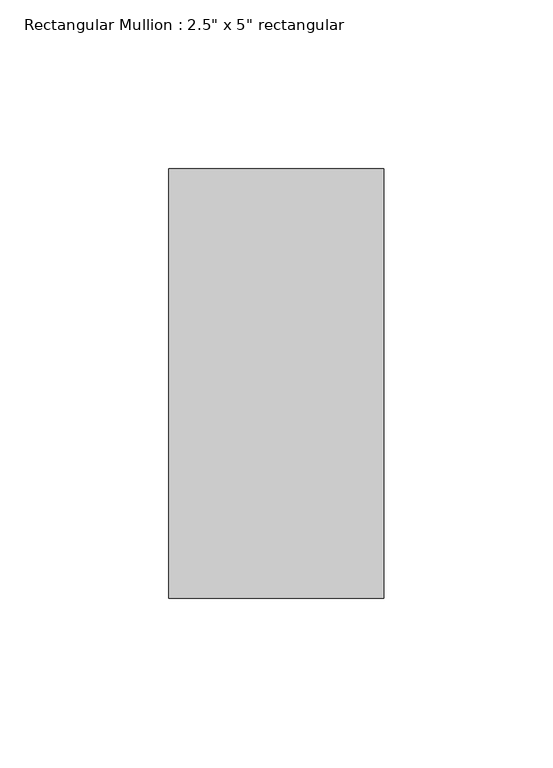
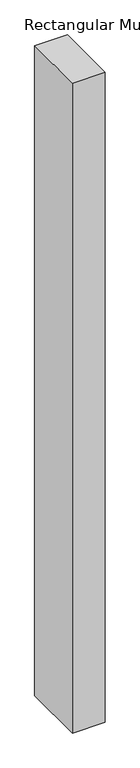
"""IFC4 building model written with IfcOpenShell, lengths in millimetres: member geometry."""

from ifc_helpers import new_model, si_unit, frame, origin, place, context, project, spatial, polyline, outline, extrude, source, transform, mapped, element, save


def member_7cde2320(model_context):
    return source(origin(), model_context, "Body", "SweptSolid", [
        extrude(outline(polyline([(31.75, 63.5), (31.75, -63.5), (-31.75, -63.5), (-31.75, 63.5), (31.75, 63.5)])), frame((0.0, 0.0, -1338.35), z_axis=(0.0, 0.0, 1.0), x_axis=(1.0, 0.0, 0.0)), (0.0, 0.0, 1.0), 1338.35),
    ])


if __name__ == "__main__":
    model = new_model("IFC4")
    model_context = context("Model", 3, world=origin())
    ifc_project = project(units=[si_unit("LENGTHUNIT", "METRE", prefix="MILLI")], contexts=[model_context])
    site = spatial("IfcSite", under=ifc_project)
    building = spatial("IfcBuilding", under=site)
    placement = place(None, origin())
    member_shape = member_7cde2320(model_context)
    element("IfcMember", 1, ObjectType="Rectangular Mullion : 2.5\" x 5\" rectangular", at=placement, inside=building, context=model_context, shape_type="MappedRepresentation", body=[
        mapped(member_shape, transform((0.0, 0.0, 0.0), x_axis=(1.0, 0.0, 0.0), y_axis=(0.0, 1.0, 0.0), z_axis=(0.0, 0.0, 1.0))),
    ])
    save(model, "model.ifc")
